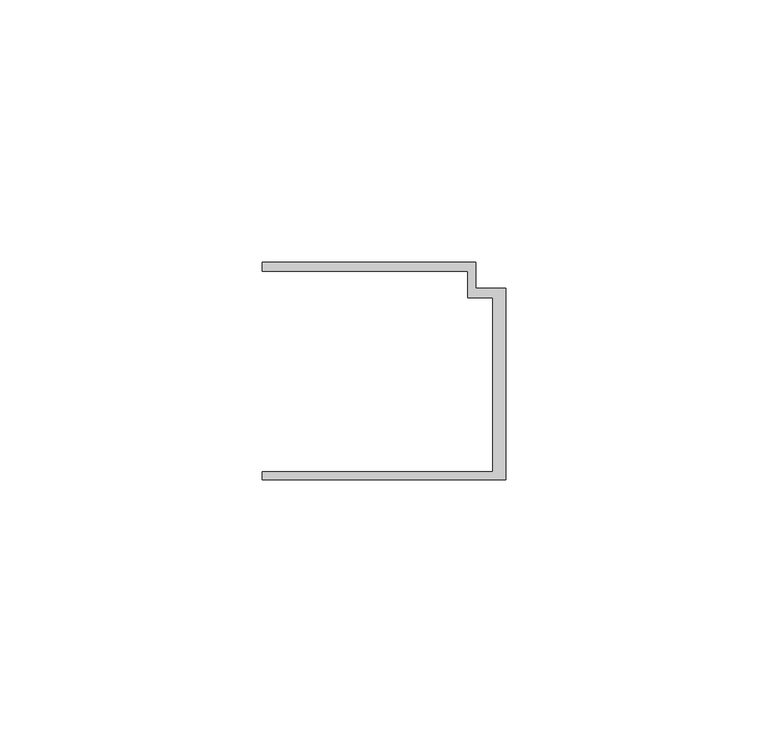
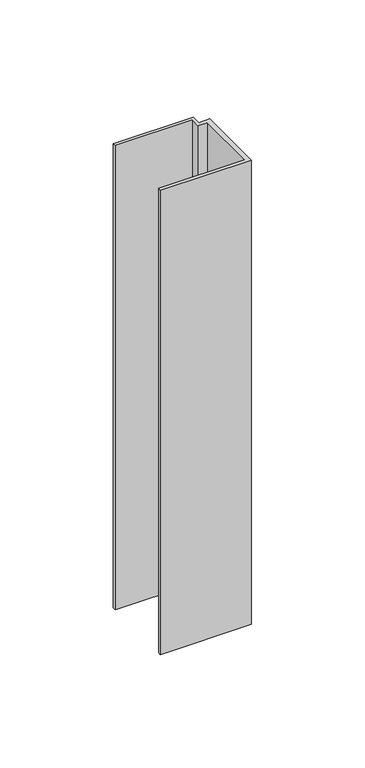
"""IFC4 building model written with IfcOpenShell, lengths in millimetres: member geometry."""

from ifc_helpers import new_model, si_unit, frame, origin, place, context, project, spatial, polyline, outline, extrude, source, transform, mapped, element, save


def member_a8554f6e(model_context):
    return source(origin(), model_context, "Body", "SweptSolid", [
        extrude(outline(polyline([(-46.3, -19.2), (-2.4, -19.2), (-2.4, 14.0), (-7.2, 14.0), (-7.2, 19.0), (-46.3, 19.0), (-46.3, 20.7), (-5.6999992, 20.7), (-5.6999992, 15.8), (0.0, 15.8), (0.0, -20.7), (-46.3, -20.7), (-46.3, -19.2)])), frame((0.0, 0.0, -250.0), z_axis=(0.0, 0.0, 1.0), x_axis=(1.0, 0.0, 0.0)), (0.0, 0.0, 1.0), 250.0),
    ])


if __name__ == "__main__":
    model = new_model("IFC4")
    model_context = context("Model", 3, world=origin())
    ifc_project = project(units=[si_unit("LENGTHUNIT", "METRE", prefix="MILLI")], contexts=[model_context])
    site = spatial("IfcSite", under=ifc_project)
    building = spatial("IfcBuilding", under=site)
    placement = place(None, origin())
    member_shape = member_a8554f6e(model_context)
    element("IfcMember", 1, at=placement, inside=building, context=model_context, shape_type="MappedRepresentation", body=[
        mapped(member_shape, transform((0.0, 0.0, 0.0), x_axis=(1.0, 0.0, 0.0), y_axis=(0.0, 1.0, 0.0), z_axis=(0.0, 0.0, 1.0))),
    ])
    save(model, "model.ifc")
